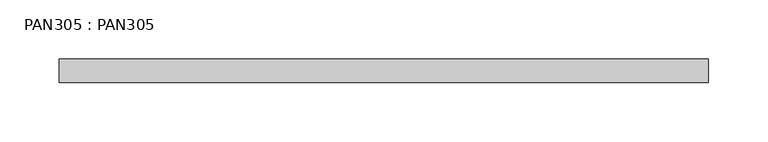
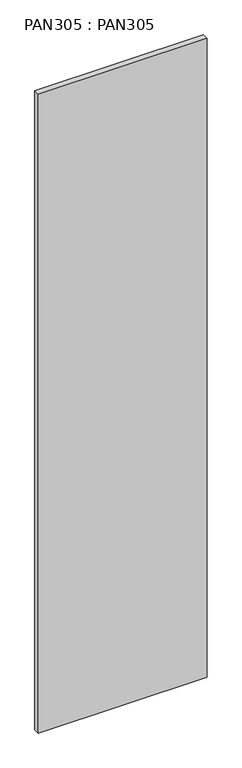
"""IFC4 building model written with IfcOpenShell, lengths in millimetres: proxy geometry, PAN305 : PAN305."""

import ifcopenshell
import ifcopenshell.guid

model = None  # the IFC model being written
_history = None  # IfcOwnerHistory: only IFC2X3 demands one
_inside = {}  # id of a spatial element -> (the spatial element, [elements in it])
_under = {}  # id of a project, library or spatial element -> (it, [spatial elements below it])
_declared = {}  # id of a project -> (the project, [libraries it declares])
_typed = {}  # id of a type object -> (the type object, [elements of that type])
_made_of = {}  # id of a material, layer set ... -> (it, [elements and type objects made of it])


def new_model(schema):
    """Start an empty IFC model of exactly this schema.

    Asked for "IFC4X3", IfcOpenShell would pick the latest addendum, in which some entities
    have other attributes; the version numbers below select the first issue.
    IFC2X3 requires an IfcOwnerHistory on every rooted entity: one is made here for all.
    """
    global model, _history
    if schema == "IFC4X3":
        model = ifcopenshell.file(schema_version=(4, 3, 0, 0))
    else:
        model = ifcopenshell.file(schema=schema)
    _inside.clear()
    _under.clear()
    _declared.clear()
    _typed.clear()
    _made_of.clear()
    _history = None
    if model.schema == "IFC2X3":
        org = make("IfcOrganization", Name="unknown")
        user = make(
            "IfcPersonAndOrganization",
            ThePerson=make("IfcPerson", FamilyName="unknown"),
            TheOrganization=org,
        )
        app = make(
            "IfcApplication",
            ApplicationDeveloper=org,
            Version="unknown",
            ApplicationFullName="unknown",
            ApplicationIdentifier="unknown",
        )
        _history = make(
            "IfcOwnerHistory",
            OwningUser=user,
            OwningApplication=app,
            ChangeAction="ADDED",
            CreationDate=0,
        )
    return model


def make(cls, **values):
    """One entity of the class cls with the attributes given. An attribute that is None is left unset."""
    return model.create_entity(
        cls, **{name: value for name, value in values.items() if value is not None}
    )


def rooted(cls, **values):
    """An entity with a GlobalId (a new one), such as an element, a storey or a relation."""
    return make(cls, GlobalId=ifcopenshell.guid.new(), OwnerHistory=_history, **values)


def si_unit(unit_type, name, prefix=None):
    """IfcSIUnit, for example si_unit("LENGTHUNIT", "METRE", prefix="MILLI")."""
    return make("IfcSIUnit", UnitType=unit_type, Prefix=prefix, Name=name)


def assignment(units):
    """IfcUnitAssignment: the units of a project."""
    return None if units is None else make("IfcUnitAssignment", Units=units)


def point(xyz):
    """IfcCartesianPoint."""
    return None if xyz is None else make("IfcCartesianPoint", Coordinates=xyz)


def direction(xyz):
    """IfcDirection."""
    return None if xyz is None else make("IfcDirection", DirectionRatios=xyz)


def frame(location, z_axis=None, x_axis=None):
    """IfcAxis2Placement3D, a coordinate frame: its origin and axes. An axis left out is left unset."""
    return make(
        "IfcAxis2Placement3D",
        Location=point(location),
        Axis=direction(z_axis),
        RefDirection=direction(x_axis),
    )


def origin():
    """The frame at (0, 0, 0) with its axes left unset."""
    return frame((0.0, 0.0, 0.0))


def origin_with_axes():
    """The frame at (0, 0, 0) with the z axis (0, 0, 1) and the x axis (1, 0, 0) written out."""
    return frame((0.0, 0.0, 0.0), z_axis=(0.0, 0.0, 1.0), x_axis=(1.0, 0.0, 0.0))


def place(relative_to, where):
    """IfcLocalPlacement: puts the frame where relative to a parent placement (None: the world)."""
    return make(
        "IfcLocalPlacement", PlacementRelTo=relative_to, RelativePlacement=where
    )


def context(
    kind, dimensions, precision=None, world=None, true_north=None, identifier=None
):
    """IfcGeometricRepresentationContext, for example the 3D "Model" context."""
    return make(
        "IfcGeometricRepresentationContext",
        ContextIdentifier=identifier,
        ContextType=kind,
        CoordinateSpaceDimension=dimensions,
        Precision=precision,
        WorldCoordinateSystem=world,
        TrueNorth=true_north,
    )


def project(units=None, contexts=None):
    """IfcProject with its units and contexts."""
    return rooted(
        "IfcProject",
        Name="project",
        RepresentationContexts=contexts,
        UnitsInContext=assignment(units),
    )


def spatial(cls, under=None, at=None, **own):
    """A site, building, storey or space (cls), placed at a placement, below another one or the project."""
    s = rooted(cls, ObjectPlacement=at, **own)
    if under is not None:
        _under.setdefault(under.id(), (under, []))[1].append(s)
    return s


def polyline(points):
    """IfcPolyline through the points."""
    return make("IfcPolyline", Points=[point(p) for p in points])


def outline(outer, holes=None, kind="AREA"):
    """IfcArbitraryClosedProfileDef: a profile drawn as a closed curve; with holes, ...WithVoids."""
    if holes is None:
        return make("IfcArbitraryClosedProfileDef", ProfileType=kind, OuterCurve=outer)
    return make(
        "IfcArbitraryProfileDefWithVoids",
        ProfileType=kind,
        OuterCurve=outer,
        InnerCurves=holes,
    )


def extrude(swept, where, along, depth):
    """IfcExtrudedAreaSolid: the profile swept, set in the frame where, extruded along a direction by depth."""
    return make(
        "IfcExtrudedAreaSolid",
        SweptArea=swept,
        Position=where,
        ExtrudedDirection=direction(along),
        Depth=depth,
    )


def shape(context_of_items, identifier, shape_type, items):
    """IfcShapeRepresentation: the items that make up one representation, for example the "Body"."""
    return make(
        "IfcShapeRepresentation",
        ContextOfItems=context_of_items,
        RepresentationIdentifier=identifier,
        RepresentationType=shape_type,
        Items=items,
    )


def source(mapping_origin, context_of_items, identifier, shape_type, items):
    """IfcRepresentationMap: a shape defined once, which mapped items show again and again."""
    return make(
        "IfcRepresentationMap",
        MappingOrigin=mapping_origin,
        MappedRepresentation=shape(context_of_items, identifier, shape_type, items),
    )


def transform(
    local_origin,
    x_axis=None,
    y_axis=None,
    z_axis=None,
    scale=None,
    scale2=None,
    scale3=None,
    uniform=True,
):
    """IfcCartesianTransformationOperator3D, or its non-uniform kind. x_axis, y_axis, z_axis: its Axis1, 2, 3."""
    if uniform:
        return make(
            "IfcCartesianTransformationOperator3D",
            Axis1=direction(x_axis),
            Axis2=direction(y_axis),
            LocalOrigin=point(local_origin),
            Scale=scale,
            Axis3=direction(z_axis),
        )
    return make(
        "IfcCartesianTransformationOperator3DnonUniform",
        Axis1=direction(x_axis),
        Axis2=direction(y_axis),
        LocalOrigin=point(local_origin),
        Scale=scale,
        Axis3=direction(z_axis),
        Scale2=scale2,
        Scale3=scale3,
    )


def mapped(mapping_source, mapping_target):
    """IfcMappedItem: shows the shape of a source again, moved by a transform."""
    return make(
        "IfcMappedItem", MappingSource=mapping_source, MappingTarget=mapping_target
    )


def made_of(thing, what):
    """Note that an element or type object is made of a material, layer set ...; save() writes the relation."""
    if what is not None:
        _made_of.setdefault(what.id(), (what, []))[1].append(thing)
    return thing


def element(
    cls,
    number,
    at=None,
    inside=None,
    cuts=None,
    type_object=None,
    material=None,
    context=None,
    identifier="Body",
    shape_type=None,
    held_by="IfcProductDefinitionShape",
    body=None,
    shapes=None,
    **own,
):
    """One element of the class cls, such as IfcWall. Its Tag is "e" and its number.

    at: its placement. inside: the storey or other place that contains it. cuts: it is an
    opening in that element (IfcRelVoidsElement). A single representation is given by context,
    identifier, shape_type and body (its items); several are given by shapes. held_by: the class
    of the entity that holds the representations. save() writes the other relations.
    """
    e = rooted(cls, Tag="e%d" % number, ObjectPlacement=at, **own)
    if body is not None:
        shapes = [shape(context, identifier, shape_type, body)]
    if shapes is not None:
        e.Representation = make(held_by, Representations=shapes)
    if inside is not None:
        _inside.setdefault(inside.id(), (inside, []))[1].append(e)
    if cuts is not None:
        rooted(
            "IfcRelVoidsElement", RelatingBuildingElement=cuts, RelatedOpeningElement=e
        )
    if type_object is not None:
        _typed.setdefault(type_object.id(), (type_object, []))[1].append(e)
    return made_of(e, material)


def aggregate(whole, parts):
    """IfcRelAggregates: a whole, such as a stair, and the parts it consists of."""
    return rooted("IfcRelAggregates", RelatingObject=whole, RelatedObjects=parts)


def save(model, path):
    """Write the relations noted so far, then the file.

    IfcRelAggregates (storeys below a building ...), IfcRelContainedInSpatialStructure (elements
    in a storey), IfcRelDefinesByType, IfcRelAssociatesMaterial and IfcRelDeclares: one each for
    every whole, place, type object, material and project.
    """
    for whole, parts in _under.values():
        aggregate(whole, parts)
    for where, things in _inside.values():
        rooted(
            "IfcRelContainedInSpatialStructure",
            RelatedElements=things,
            RelatingStructure=where,
        )
    for kind, things in _typed.values():
        rooted("IfcRelDefinesByType", RelatedObjects=things, RelatingType=kind)
    for what, things in _made_of.values():
        rooted("IfcRelAssociatesMaterial", RelatedObjects=things, RelatingMaterial=what)
    for by, libraries in _declared.values():
        rooted("IfcRelDeclares", RelatingContext=by, RelatedDefinitions=libraries)
    model.write(path)


def pan305_pan305_3e6ff949(model_context):
    return source(origin(), model_context, "Body", "SweptSolid", [
        extrude(outline(polyline([(550.0, -20.0), (0.0, -20.0), (0.0, 0.0), (550.0, 0.0), (550.0, -20.0)])), origin_with_axes(), (0.0, 0.0, 1.0), 2200.0),
    ])


if __name__ == "__main__":
    model = new_model("IFC4")
    model_context = context("Model", 3, world=origin())
    ifc_project = project(units=[si_unit("LENGTHUNIT", "METRE", prefix="MILLI")], contexts=[model_context])
    site = spatial("IfcSite", under=ifc_project)
    building = spatial("IfcBuilding", under=site)
    placement = place(None, origin())
    pan305_pan305_shape = pan305_pan305_3e6ff949(model_context)
    element("IfcBuildingElementProxy", 1, Name="PAN305 : PAN305", ObjectType="PAN305 : PAN305", at=placement, inside=building, context=model_context, shape_type="MappedRepresentation", body=[
        mapped(pan305_pan305_shape, transform((0.0, 0.0, 0.0), x_axis=(1.0, 0.0, 0.0), y_axis=(0.0, 1.0, 0.0), z_axis=(0.0, 0.0, 1.0))),
    ])
    save(model, "model.ifc")
